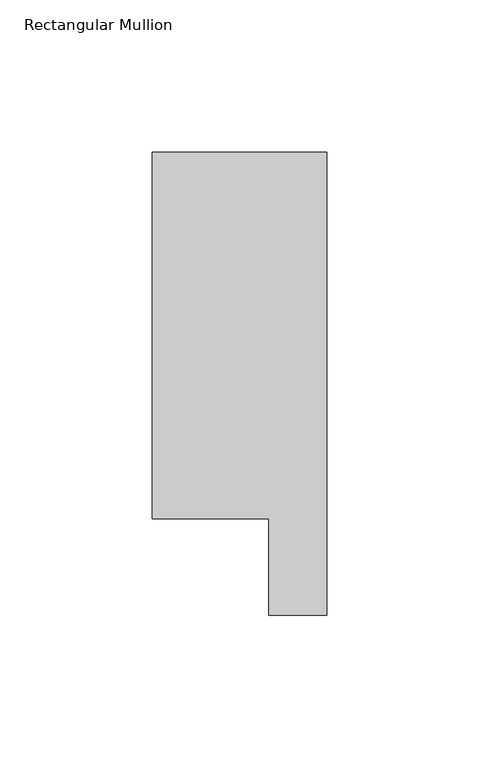
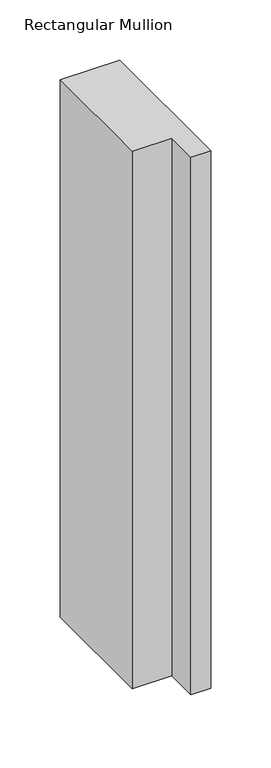
"""IFC4 building model written with IfcOpenShell, lengths in millimetres: member geometry, Rectangular Mullion."""

from ifc_helpers import new_model, si_unit, frame, origin, place, context, project, spatial, polyline, outline, extrude, source, transform, mapped, element, save


def rectangular_mullion_1e7d141c(model_context):
    return source(origin(), model_context, "Body", "SweptSolid", [
        extrude(outline(polyline([(-57.15, 151.892), (0.0, 151.892), (0.0, 0.0), (-19.05, 0.0), (-19.05, 31.75), (-57.15, 31.75), (-57.15, 151.892)])), frame((0.0, 0.0, -546.1), z_axis=(0.0, 0.0, 1.0), x_axis=(1.0, 0.0, 0.0)), (0.0, 0.0, 1.0), 546.1),
    ])


if __name__ == "__main__":
    model = new_model("IFC4")
    model_context = context("Model", 3, world=origin())
    ifc_project = project(units=[si_unit("LENGTHUNIT", "METRE", prefix="MILLI")], contexts=[model_context])
    site = spatial("IfcSite", under=ifc_project)
    building = spatial("IfcBuilding", under=site)
    placement = place(None, origin())
    rectangular_mullion_shape = rectangular_mullion_1e7d141c(model_context)
    element("IfcMember", 1, ObjectType="Rectangular Mullion", at=placement, inside=building, context=model_context, shape_type="MappedRepresentation", body=[
        mapped(rectangular_mullion_shape, transform((0.0, 0.0, 0.0), x_axis=(1.0, 0.0, 0.0), y_axis=(0.0, 1.0, 0.0), z_axis=(0.0, 0.0, 1.0))),
    ])
    save(model, "model.ifc")
